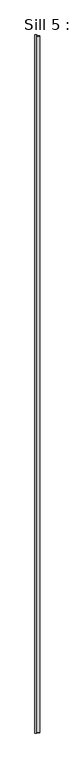
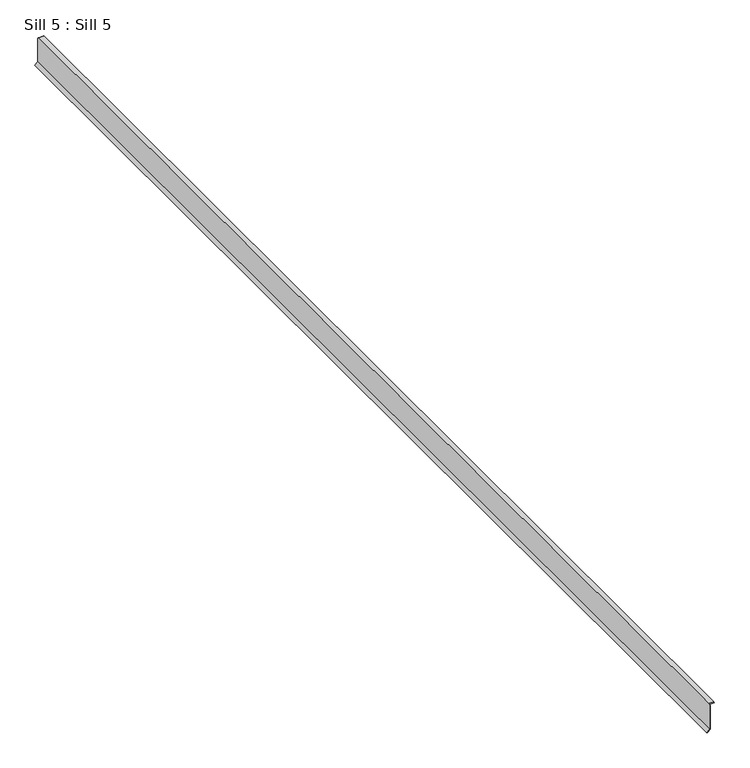
"""IFC4 building model written with IfcOpenShell, lengths in millimetres: proxy geometry, Sill 5 : Sill 5."""

from ifc_helpers import new_model, si_unit, origin, place, context, project, spatial, faceted_brep, source, transform, mapped, element, save


def sill_5_sill_5_3a409e48(model_context):
    return source(origin(), model_context, "Body", "Brep", [
        faceted_brep([(-5126.4333814, 3967.5476159, 795.1199263), (-5135.4295229, 3967.5476159, 786.1237848), (-5136.5470463, 3967.5476159, 787.2413083), (-5128.0095767, 3967.5476159, 795.7787779), (-5128.0095767, 3967.5476159, 873.3801711), (-5126.4333814, 3967.5476159, 873.3801711), (-5128.0095767, 346.6342317, 795.7787779), (-5136.5470463, 346.6342317, 787.2413083), (-5135.4295229, 346.6342317, 786.1237848), (-5126.4333814, 346.6342317, 795.1199263), (-5126.4333814, 346.6342317, 874.4467726), (-5128.0095767, 346.6342317, 874.4467726), (-5112.0972646, 3961.6603001, 878.084567), (-5128.0095767, 3961.6603001, 878.084567), (-5128.0095767, 351.1867491, 878.084567), (-5112.0972646, 351.1867491, 878.084567), (-5112.0972646, 3963.6679325, 876.4803218), (-5112.0972646, 349.1791166, 876.4803218), (-5126.4333814, 3963.6679325, 876.4803218), (-5126.4333814, 349.1791166, 876.4803218)], [[[0, 1, 2, 3, 4, 5]], [[6, 7, 8, 9, 10, 11]], [[12, 13, 14, 15]], [[16, 12, 15, 17]], [[18, 16, 17, 19]], [[9, 0, 5, 18, 19, 10]], [[1, 0, 9, 8]], [[2, 1, 8, 7]], [[3, 2, 7, 6]], [[3, 6, 11, 14, 13, 4]], [[5, 4, 13, 12, 16, 18]], [[11, 10, 19, 17, 15, 14]]]),
    ])


if __name__ == "__main__":
    model = new_model("IFC4")
    model_context = context("Model", 3, world=origin())
    ifc_project = project(units=[si_unit("LENGTHUNIT", "METRE", prefix="MILLI")], contexts=[model_context])
    site = spatial("IfcSite", under=ifc_project)
    building = spatial("IfcBuilding", under=site)
    placement = place(None, origin())
    sill_5_sill_5_shape = sill_5_sill_5_3a409e48(model_context)
    element("IfcBuildingElementProxy", 1, Name="Sill 5 : Sill 5", ObjectType="Sill 5 : Sill 5", at=placement, inside=building, context=model_context, shape_type="MappedRepresentation", body=[
        mapped(sill_5_sill_5_shape, transform((0.0, 0.0, 0.0), x_axis=(1.0, 0.0, 0.0), y_axis=(0.0, 1.0, 0.0), z_axis=(0.0, 0.0, 1.0))),
    ])
    save(model, "model.ifc")
